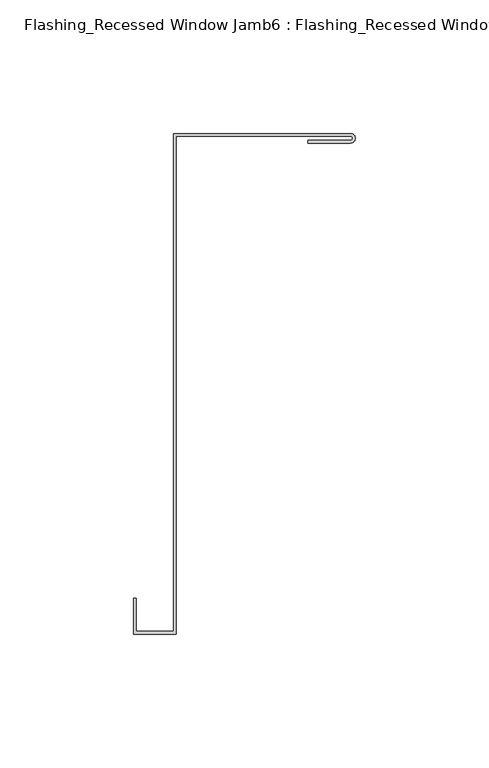
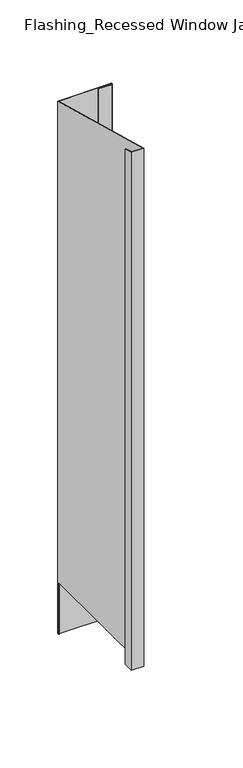
"""IFC4 building model written with IfcOpenShell, lengths in millimetres: proxy geometry, Flashing_Recessed Window Jamb6 : Flashing_Recessed Window Jamb."""

from ifc_helpers import new_model, si_unit, frame, origin, place, context, project, spatial, polyline, circle_curve, ellipse_curve, source, transform, mapped, element, save
from ifc_brep_helpers import plane_surface, cylinder_surface, revolved_surface, advanced_brep


def flashing_recessed_window_jamb6_flashing_recessed_window_jamb_bd8d7c80(model_context):
    return source(origin(), model_context, "Body", "AdvancedBrep", [
        advanced_brep(
        [(12492.8541786, 657.7344915, -705.1751138), (12427.4791786, 657.7344915, -705.1751138), (12427.4791786, 656.8026399, -705.1751138), (12426.4791786, 656.8026399, -705.1751138), (12426.4791786, 658.7344915, -705.1751138), (12492.8541786, 658.7344915, -705.1751138), (12492.8541786, 655.1896346, -705.1751138), (12492.6107823, 655.1896346, -705.1751138), (12492.6107823, 656.1896346, -705.1751138), (12492.8541786, 656.1896346, -705.1751138), (12426.4791786, 658.7344915, 6.7848827), (12492.8541786, 658.7344915, 6.7848827), (12426.4791786, 656.8026399, -635.662203), (12426.4791786, 472.3615096, -635.662203), (12426.4791786, 472.3615096, 56.7233727), (12412.4791786, 472.3615096, 56.7233727), (12412.4791786, 472.3615096, -635.662203), (12412.4791786, 484.6872381, 53.4207037), (12412.4791786, 484.6872381, -635.662203), (12411.4791786, 484.6872381, 53.4207037), (12411.4791786, 484.6872381, -635.662203), (12411.4791786, 471.3615096, 56.9913219), (12411.4791786, 471.3615096, -635.662203), (12427.4791786, 471.3615096, 56.9913219), (12427.4791786, 471.3615096, -635.662203), (12427.4791786, 657.7344915, 7.0528319), (12427.4791786, 656.8026399, -635.662203), (12492.8541786, 657.7344915, 7.0528319), (12492.8541786, 655.1896346, 7.7347242), (12476.7935482, 655.1896346, 7.7347242), (12476.7935482, 655.1896346, -635.662203), (12492.6107823, 655.1896346, -635.662203), (12476.7935482, 656.1896346, 7.4667751), (12476.7935482, 656.1896346, -635.662203), (12492.8541786, 656.1896346, 7.4667751), (12492.6107823, 656.1896346, -635.662203)],
        [
            (0, 1),
            (1, 2),
            (2, 3),
            (3, 4),
            (4, 5),
            (5, 6, circle_curve(frame((12492.8541786, 656.9620631, -705.1751138), z_axis=(0.0, 0.0, -1.0), x_axis=(1.0, 0.0, 0.0)), 1.7724285)),
            (6, 7),
            (7, 8),
            (8, 9),
            (9, 0, circle_curve(frame((12492.8541786, 656.9620631, -705.1751138), z_axis=(0.0, 0.0, 1.0), x_axis=(1.0, 0.0, 0.0)), 0.7724285)),
            (4, 10),
            (10, 11),
            (11, 5),
            (3, 12),
            (12, 13),
            (13, 14),
            (14, 10),
            (15, 14),
            (13, 16),
            (16, 15),
            (17, 15),
            (16, 18),
            (18, 17),
            (19, 17),
            (18, 20),
            (20, 19),
            (21, 19),
            (20, 22),
            (22, 21),
            (23, 21),
            (22, 24),
            (24, 23),
            (1, 25),
            (25, 23),
            (24, 26),
            (26, 2),
            (0, 27),
            (27, 25),
            (6, 28),
            (28, 29),
            (29, 30),
            (30, 31),
            (31, 7),
            (29, 32),
            (32, 33),
            (33, 30),
            (34, 9),
            (8, 35),
            (35, 33),
            (32, 34),
            (34, 27, ellipse_curve(frame((12492.8541786, 656.9620631, 7.2598035), z_axis=(0.0, 0.2588190451025206, 0.9659258262890683), x_axis=(0.0, 0.9659258262890683, -0.25881904510252063)), 0.7996768, 0.7724285)),
            (11, 28, ellipse_curve(frame((12492.8541786, 656.9620631, 7.2598035), z_axis=(0.0, -0.2588190451025206, -0.9659258262890683), x_axis=(0.0, -0.9659258262890683, 0.25881904510252063)), 1.834953, 1.7724285)),
            (12, 26),
            (35, 31),
        ],
        [
            plane_surface(frame((12411.4791786, 472.3615096, -705.1751138), z_axis=(0.0, 0.0, -1.0), x_axis=(1.0, 0.0, 0.0))),
            plane_surface(frame((12492.8541786, 658.7344915, 72.3278596), z_axis=(0.0, 1.0, 0.0), x_axis=(0.0, 0.0, -1.0))),
            plane_surface(frame((12426.4791786, 658.7344915, 72.3278596), z_axis=(-1.0, 0.0, 0.0), x_axis=(0.0, 0.0, -1.0))),
            plane_surface(frame((12426.4791786, 472.3615096, 72.3278596), z_axis=(0.0, 1.0, 0.0), x_axis=(0.0, 0.0, -1.0))),
            plane_surface(frame((12412.4791786, 472.3615096, 72.3278596), z_axis=(1.0, 0.0, 0.0), x_axis=(0.0, 0.0, -1.0))),
            plane_surface(frame((12412.4791786, 484.6872381, 72.3278596), z_axis=(0.0, 1.0, 0.0), x_axis=(0.0, 0.0, -1.0))),
            plane_surface(frame((12411.4791786, 484.6872381, 72.3278596), z_axis=(-1.0, 0.0, 0.0), x_axis=(0.0, 0.0, -1.0))),
            plane_surface(frame((12411.4791786, 471.3615096, 72.3278596), z_axis=(0.0, -1.0, 0.0), x_axis=(0.0, 0.0, -1.0))),
            plane_surface(frame((12427.4791786, 471.3615096, 72.3278596), z_axis=(1.0, 0.0, 0.0), x_axis=(0.0, 0.0, -1.0))),
            plane_surface(frame((12427.4791786, 657.7344915, 72.3278596), z_axis=(0.0, -1.0, 0.0), x_axis=(0.0, 0.0, -1.0))),
            plane_surface(frame((12476.7935482, 655.1896346, 72.3278596), z_axis=(0.0, -1.0, 0.0), x_axis=(0.0, 0.0, -1.0))),
            plane_surface(frame((12476.7935482, 656.1896346, 72.3278596), z_axis=(-1.0, 0.0, 0.0), x_axis=(0.0, 0.0, -1.0))),
            plane_surface(frame((12492.8541786, 656.1896346, 72.3278596), z_axis=(0.0, 1.0, 0.0), x_axis=(0.0, 0.0, -1.0))),
            revolved_surface(polyline([(12493.626607100001, 656.9620631, -705.1751138), (12493.626607100001, 656.9620631, 7.46677509999995)]), (12492.8541786, 656.9620631, -705.1751138), (0.0, 0.0, -1.0)),
            cylinder_surface(frame((12492.8541786, 656.9620631, -705.1751138), z_axis=(0.0, 0.0, 1.0), x_axis=(1.0, 0.0, 0.0)), 1.7724285),
            plane_surface(frame((12316.4791786, 682.2658889, 0.4796638), z_axis=(0.0, 0.2588190451025206, 0.9659258262890683), x_axis=(1.0, 0.0, 0.0))),
            plane_surface(frame((12492.6107823, 456.8026399, -635.662203), z_axis=(0.0, 0.0, -1.0), x_axis=(0.0, 1.0, 0.0))),
            plane_surface(frame((12492.6107823, 456.8026399, -635.662203), z_axis=(-1.0, 0.0, 0.0), x_axis=(0.0, 0.0, -1.0))),
            plane_surface(frame((12492.6107823, 656.8026399, -635.662203), z_axis=(0.0, -1.0, 0.0), x_axis=(0.0, 0.0, -1.0))),
        ],
        [
            (0, [[1, 2, 3, 4, 5, 6, 7, 8, 9, 10]]),
            (1, [[-5, 11, 12, 13]]),
            (2, [[-11, -4, 14, 15, 16, 17]]),
            (3, [[18, -16, 19, 20]]),
            (4, [[21, -20, 22, 23]]),
            (5, [[24, -23, 25, 26]]),
            (6, [[27, -26, 28, 29]]),
            (7, [[30, -29, 31, 32]]),
            (8, [[33, 34, -32, 35, 36, -2]]),
            (9, [[-1, 37, 38, -33]]),
            (10, [[39, 40, 41, 42, 43, -7]]),
            (11, [[44, 45, 46, -41]]),
            (12, [[47, -9, 48, 49, -45, 50]]),
            (13, [[-10, -47, 51, -37]]),
            (14, [[-6, -13, 52, -39]]),
            (15, [[-12, -17, -18, -21, -24, -27, -30, -34, -38, -51, -50, -44, -40, -52]]),
            (16, [[53, -35, -31, -28, -25, -22, -19, -15]]),
            (16, [[54, -42, -46, -49]]),
            (17, [[-54, -48, -8, -43]]),
            (18, [[-53, -14, -3, -36]]),
        ],
    ),
    ])


if __name__ == "__main__":
    model = new_model("IFC4")
    model_context = context("Model", 3, world=origin())
    ifc_project = project(units=[si_unit("LENGTHUNIT", "METRE", prefix="MILLI")], contexts=[model_context])
    site = spatial("IfcSite", under=ifc_project)
    building = spatial("IfcBuilding", under=site)
    placement = place(None, origin())
    flashing_recessed_window_jamb6_flashing_recessed_window_jamb_shape = flashing_recessed_window_jamb6_flashing_recessed_window_jamb_bd8d7c80(model_context)
    element("IfcBuildingElementProxy", 1, Name="Flashing_Recessed Window Jamb6 : Flashing_Recessed Window Jamb", ObjectType="Flashing_Recessed Window Jamb6 : Flashing_Recessed Window Jamb", at=placement, inside=building, context=model_context, shape_type="MappedRepresentation", body=[
        mapped(flashing_recessed_window_jamb6_flashing_recessed_window_jamb_shape, transform((0.0, 0.0, 0.0), x_axis=(1.0, 0.0, 0.0), y_axis=(0.0, 1.0, 0.0), z_axis=(0.0, 0.0, 1.0))),
    ])
    save(model, "model.ifc")
